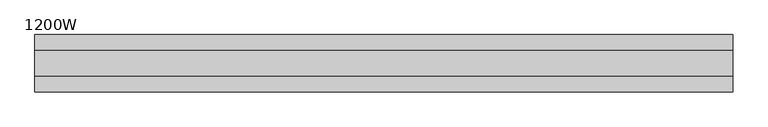
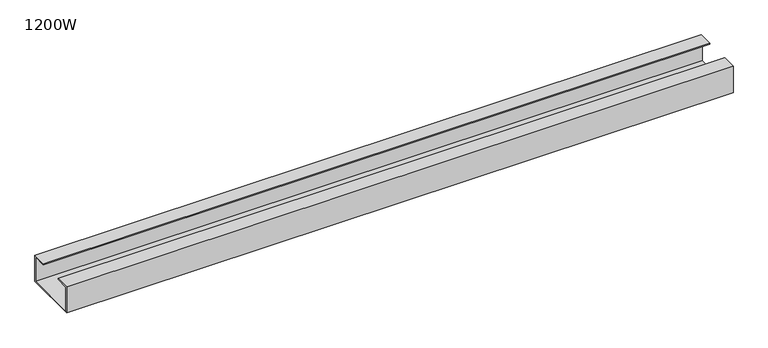
"""IFC4 building model written with IfcOpenShell, lengths in millimetres: furniture geometry, 1200W."""

from ifc_helpers import new_model, si_unit, frame, origin, place, context, project, spatial, polyline, outline, extrude, source, transform, mapped, element, save


def furniture_1200w_8d1c56b5(model_context):
    return source(origin(), model_context, "Body", "SweptSolid", [
        extrude(outline(polyline([(-47.3, 667.0), (-47.3, 715.0), (-22.0, 715.0), (-22.0, 713.0), (-45.3, 713.0), (-45.3, 669.0), (45.3, 669.0), (45.3, 713.0), (22.0, 713.0), (22.0, 715.0), (47.3, 715.0), (47.3, 667.0), (-47.3, 667.0)])), frame((-575.0, 0.0, 0.0), z_axis=(1.0, 0.0, 0.0), x_axis=(0.0, 1.0, 0.0)), (0.0, 0.0, 1.0), 1150.0),
    ])


if __name__ == "__main__":
    model = new_model("IFC4")
    model_context = context("Model", 3, world=origin())
    ifc_project = project(units=[si_unit("LENGTHUNIT", "METRE", prefix="MILLI")], contexts=[model_context])
    site = spatial("IfcSite", under=ifc_project)
    building = spatial("IfcBuilding", under=site)
    placement = place(None, origin())
    furniture_1200w_shape = furniture_1200w_8d1c56b5(model_context)
    element("IfcFurniture", 1, ObjectType="1200W", at=placement, inside=building, context=model_context, shape_type="MappedRepresentation", body=[
        mapped(furniture_1200w_shape, transform((0.0, 0.0, 0.0), x_axis=(1.0, 0.0, 0.0), y_axis=(0.0, 1.0, 0.0), z_axis=(0.0, 0.0, 1.0))),
    ])
    save(model, "model.ifc")
